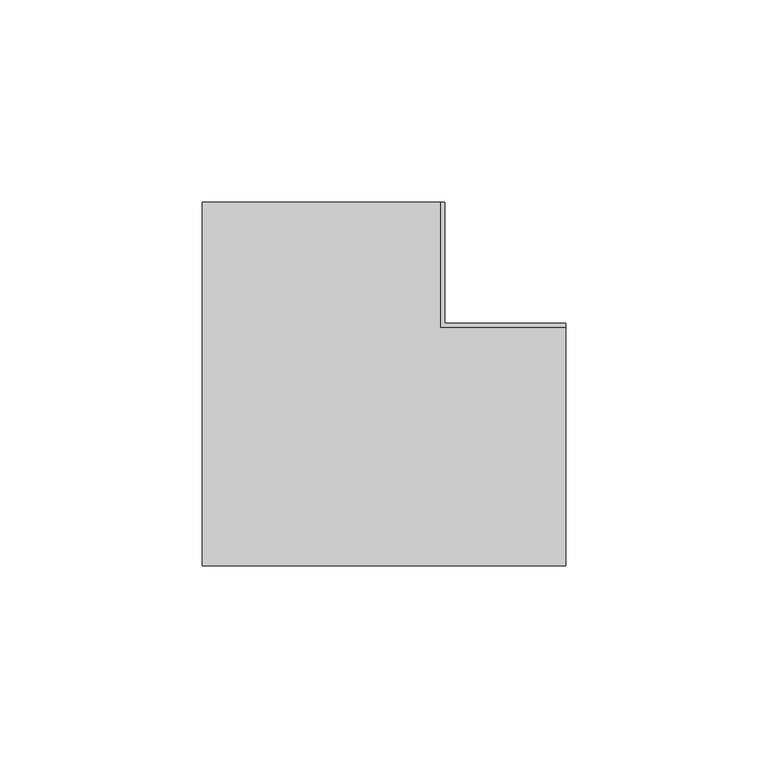
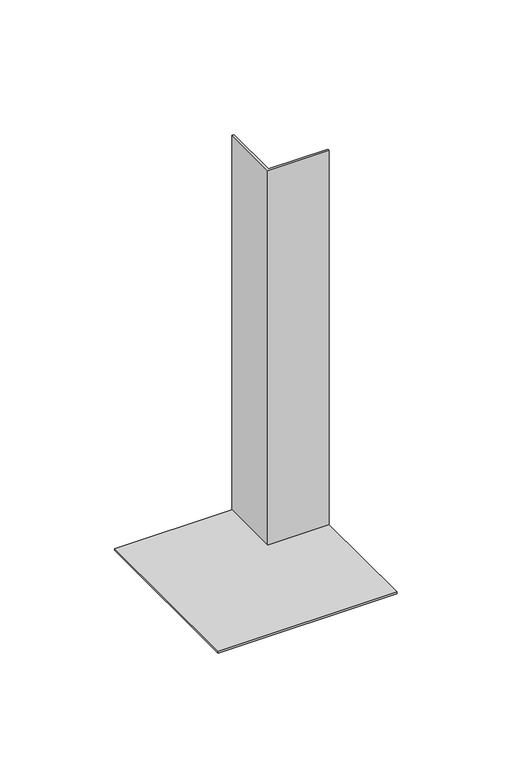
"""IFC4 building model written with IfcOpenShell, lengths in millimetres: proxy geometry."""

from ifc_helpers import new_model, si_unit, origin, place, context, project, spatial, faceted_brep, source, transform, mapped, element, save


def generic_models_f3eb2510(model_context):
    return source(origin(), model_context, "Body", "Brep", [
        faceted_brep([(90.0, 0.0, 0.0), (90.0, 0.0, 200.0), (90.0, -1.0, 200.0), (90.0, -1.0, 0.9987295), (90.0, -60.0, 0.9987295), (90.0, -60.0, 0.0), (0.0, -60.0, 0.0), (0.0, 30.0, 0.0), (60.0, 30.0, 0.0), (60.0, 0.0, 0.0), (59.0, -1.0, 0.9987295), (59.0, 30.0, 0.9987295), (0.0, 30.0, 0.9987295), (0.0, -60.0, 0.9987295), (59.0, 30.0, 200.0), (60.0, 30.0, 200.0), (60.0, 0.0, 200.0), (59.0, -1.0, 200.0)], [[[0, 1, 2, 3, 4, 5]], [[0, 5, 6, 7, 8, 9]], [[4, 3, 10, 11, 12, 13]], [[8, 7, 12, 11, 14, 15]], [[1, 0, 9, 16]], [[2, 1, 16, 15, 14, 17]], [[3, 2, 17, 10]], [[5, 4, 13, 6]], [[16, 9, 8, 15]], [[10, 17, 14, 11]], [[6, 13, 12, 7]]]),
    ])


if __name__ == "__main__":
    model = new_model("IFC4")
    model_context = context("Model", 3, world=origin())
    ifc_project = project(units=[si_unit("LENGTHUNIT", "METRE", prefix="MILLI")], contexts=[model_context])
    site = spatial("IfcSite", under=ifc_project)
    building = spatial("IfcBuilding", under=site)
    placement = place(None, origin())
    generic_models_shape = generic_models_f3eb2510(model_context)
    element("IfcBuildingElementProxy", 1, Name="Generic Models", at=placement, inside=building, context=model_context, shape_type="MappedRepresentation", body=[
        mapped(generic_models_shape, transform((0.0, 0.0, 0.0), x_axis=(1.0, 0.0, 0.0), y_axis=(0.0, 1.0, 0.0), z_axis=(0.0, 0.0, 1.0))),
    ])
    save(model, "model.ifc")
